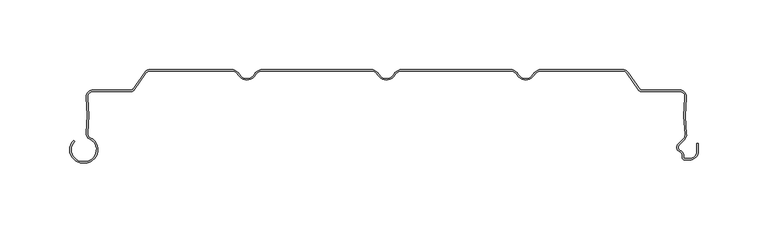
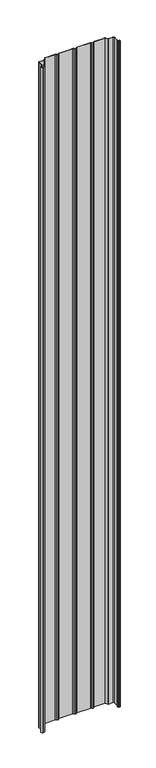
"""IFC4 building model written with IfcOpenShell, lengths in millimetres: plate geometry."""

from ifc_helpers import new_model, si_unit, point, frame_2d, origin, origin_with_axes, place, context, project, spatial, polyline, circle_curve, trimmed, segment, composite_curve, outline, extrude, source, transform, mapped, element, save


def plate_5fa73372(model_context):
    return source(origin(), model_context, "Body", "SweptSolid", [
        extrude(outline(composite_curve([segment(polyline([(-217.5602537, -66.1554676), (-216.3062537, -66.1554676)]), True, "CONTINUOUS"), segment(trimmed(circle_curve(frame_2d((-216.3062537, -57.6554676)), 8.5), [point((-216.3062537, -66.1554676))], [point((-212.7922984, -49.9158218))], True, "CARTESIAN"), True, "CONTINUOUS"), segment(trimmed(circle_curve(frame_2d((-211.0973318, -46.1825808)), 4.1), [point((-212.7922984, -49.9158218))], [point((-215.1686298, -45.6982956))], False, "CARTESIAN"), True, "CONTINUOUS"), segment(trimmed(circle_curve(frame_2d((-313.8447949, -32.9207976)), 99.5), [point((-215.1686298, -45.6982956))], [point((-215.1747737, -20.0959415))], True, "CARTESIAN"), True, "CONTINUOUS"), segment(trimmed(circle_curve(frame_2d((-210.5139788, -19.4901443)), 4.7), [point((-215.1747737, -20.0959415))], [point((-210.5139788, -14.7901443))], False, "CARTESIAN"), True, "CONTINUOUS"), segment(polyline([(-210.5139788, -14.7901443), (-182.7970868, -14.7901443)]), True, "CONTINUOUS"), segment(trimmed(circle_curve(frame_2d((-182.7970868, -13.8401443)), 0.95), [point((-182.7970868, -14.7901443))], [point((-182.0188923, -14.3850419))], True, "CARTESIAN"), True, "CONTINUOUS"), segment(polyline([(-182.0188923, -14.3850419), (-173.349727, -2.0041907)]), True, "CONTINUOUS"), segment(trimmed(circle_curve(frame_2d((-169.4997124, -4.7)), 4.7), [point((-173.349727, -2.0041907))], [point((-171.3541788, -0.3813249))], False, "CARTESIAN"), True, "CONTINUOUS"), segment(trimmed(circle_curve(frame_2d((-169.4997124, -4.7)), 4.7), [point((-171.3541788, -0.3813249))], [point((-169.4997124, 0.0))], False, "CARTESIAN"), True, "CONTINUOUS"), segment(polyline([(-169.4997124, 0.0), (-111.2583302, 0.0)]), True, "CONTINUOUS"), segment(trimmed(circle_curve(frame_2d((-111.2583302, -7.0)), 7.0), [point((-111.2583302, 0.0))], [point((-105.1961524, -3.5))], False, "CARTESIAN"), True, "CONTINUOUS"), segment(trimmed(circle_curve(frame_2d((-100.0, -0.5)), 6.0), [point((-105.1961524, -3.5))], [point((-100.0, -6.5))], True, "CARTESIAN"), True, "CONTINUOUS"), segment(trimmed(circle_curve(frame_2d((-100.0, -0.5)), 6.0), [point((-100.0, -6.5))], [point((-94.8038476, -3.5))], True, "CARTESIAN"), True, "CONTINUOUS"), segment(trimmed(circle_curve(frame_2d((-88.7416698, -7.0)), 7.0), [point((-94.8038476, -3.5))], [point((-88.7416698, 0.0))], False, "CARTESIAN"), True, "CONTINUOUS"), segment(polyline([(-88.7416698, 0.0), (-11.2583302, 0.0)]), True, "CONTINUOUS"), segment(trimmed(circle_curve(frame_2d((-11.2583302, -7.0)), 7.0), [point((-11.2583302, 0.0))], [point((-5.1961524, -3.5))], False, "CARTESIAN"), True, "CONTINUOUS"), segment(trimmed(circle_curve(frame_2d((0.0, -0.5)), 6.0), [point((-5.1961524, -3.5))], [point((0.0, -6.5))], True, "CARTESIAN"), True, "CONTINUOUS"), segment(trimmed(circle_curve(frame_2d((0.0, -0.5)), 6.0), [point((0.0, -6.5))], [point((5.1961524, -3.5))], True, "CARTESIAN"), True, "CONTINUOUS"), segment(trimmed(circle_curve(frame_2d((11.2583302, -7.0)), 7.0), [point((5.1961524, -3.5))], [point((11.2583302, 0.0))], False, "CARTESIAN"), True, "CONTINUOUS"), segment(polyline([(11.2583302, 0.0), (88.7416698, 0.0)]), True, "CONTINUOUS"), segment(trimmed(circle_curve(frame_2d((88.7416698, -7.0)), 7.0), [point((88.7416698, 0.0))], [point((94.8038476, -3.5))], False, "CARTESIAN"), True, "CONTINUOUS"), segment(trimmed(circle_curve(frame_2d((100.0, -0.5)), 6.0), [point((94.8038476, -3.5))], [point((100.0, -6.5))], True, "CARTESIAN"), True, "CONTINUOUS"), segment(trimmed(circle_curve(frame_2d((100.0, -0.5)), 6.0), [point((100.0, -6.5))], [point((105.1961524, -3.5))], True, "CARTESIAN"), True, "CONTINUOUS"), segment(trimmed(circle_curve(frame_2d((111.2583302, -7.0)), 7.0), [point((105.1961524, -3.5))], [point((111.2583302, 0.0))], False, "CARTESIAN"), True, "CONTINUOUS"), segment(polyline([(111.2583302, 0.0), (169.4997124, 0.0)]), True, "CONTINUOUS"), segment(trimmed(circle_curve(frame_2d((169.4997124, -4.7)), 4.7), [point((169.4997124, 0.0))], [point((173.349727, -2.0041907))], False, "CARTESIAN"), True, "CONTINUOUS"), segment(polyline([(173.349727, -2.0041907), (182.0188923, -14.3850419)]), True, "CONTINUOUS"), segment(trimmed(circle_curve(frame_2d((182.7970868, -13.8401443)), 0.95), [point((182.0188923, -14.3850419))], [point((182.7970868, -14.7901443))], True, "CARTESIAN"), True, "CONTINUOUS"), segment(polyline([(182.7970868, -14.7901443), (210.5139788, -14.7901443)]), True, "CONTINUOUS"), segment(trimmed(circle_curve(frame_2d((210.5139788, -19.4901443)), 4.7), [point((210.5139788, -14.7901443))], [point((215.1747737, -20.0959415))], False, "CARTESIAN"), True, "CONTINUOUS"), segment(trimmed(circle_curve(frame_2d((313.8447949, -32.9207976)), 99.5), [point((215.1747737, -20.0959415))], [point((215.261045, -46.3927784))], True, "CARTESIAN"), True, "CONTINUOUS"), segment(trimmed(circle_curve(frame_2d((210.6043252, -47.0291434)), 4.7), [point((215.261045, -46.3927784))], [point((213.927727, -50.3525452))], False, "CARTESIAN"), True, "CONTINUOUS"), segment(polyline([(213.927727, -50.3525452), (209.893169, -54.3871033)]), True, "CONTINUOUS"), segment(trimmed(circle_curve(frame_2d((211.4488039, -55.9427382)), 2.2), [point((209.893169, -54.3871033))], [point((210.6238714, -57.98222))], True, "CARTESIAN"), True, "CONTINUOUS"), segment(trimmed(circle_curve(frame_2d((209.0490001, -61.8757763)), 4.2), [point((210.6238714, -57.98222))], [point((213.2490002, -61.8757763))], False, "CARTESIAN"), True, "CONTINUOUS"), segment(polyline([(213.2490002, -61.8757763), (213.2490002, -63.0)]), True, "CONTINUOUS"), segment(trimmed(circle_curve(frame_2d((214.2490002, -63.0)), 1.0), [point((213.2490002, -63.0))], [point((214.2490002, -64.0))], True, "CARTESIAN"), True, "CONTINUOUS"), segment(polyline([(214.2490002, -64.0), (217.5500002, -64.0)]), True, "CONTINUOUS"), segment(trimmed(circle_curve(frame_2d((217.5500002, -58.8)), 5.2), [point((217.5500002, -64.0))], [point((222.7500002, -58.8))], True, "CARTESIAN"), True, "CONTINUOUS"), segment(polyline([(222.7500002, -58.8), (222.7500002, -53.169), (223.7500002, -53.169), (223.7500002, -58.8)]), True, "CONTINUOUS"), segment(trimmed(circle_curve(frame_2d((217.5500002, -58.8)), 6.2), [point((223.7500002, -58.8))], [point((217.5500002, -65.0))], False, "CARTESIAN"), True, "CONTINUOUS"), segment(polyline([(217.5500002, -65.0), (214.2490002, -65.0)]), True, "CONTINUOUS"), segment(trimmed(circle_curve(frame_2d((214.2490002, -63.0)), 2.0), [point((214.2490002, -65.0))], [point((212.2490002, -63.0))], False, "CARTESIAN"), True, "CONTINUOUS"), segment(polyline([(212.2490002, -63.0), (212.2490002, -61.8757763)]), True, "CONTINUOUS"), segment(trimmed(circle_curve(frame_2d((209.0490001, -61.8757763)), 3.2), [point((212.2490002, -61.8757763))], [point((210.248902, -58.9092572))], True, "CARTESIAN"), True, "CONTINUOUS"), segment(trimmed(circle_curve(frame_2d((211.4488039, -55.9427382)), 3.2), [point((210.248902, -58.9092572))], [point((209.1860622, -53.6799965))], False, "CARTESIAN"), True, "CONTINUOUS"), segment(polyline([(209.1860622, -53.6799965), (213.2206203, -49.6454384)]), True, "CONTINUOUS"), segment(trimmed(circle_curve(frame_2d((210.6043252, -47.0291434)), 3.7), [point((213.2206203, -49.6454384))], [point((214.2702536, -46.5281752))], True, "CARTESIAN"), True, "CONTINUOUS"), segment(trimmed(circle_curve(frame_2d((313.8447949, -32.9207976)), 100.5), [point((214.2702536, -46.5281752))], [point((214.1831152, -19.9670485))], False, "CARTESIAN"), True, "CONTINUOUS"), segment(trimmed(circle_curve(frame_2d((210.5139788, -19.4901443)), 3.7), [point((214.1831152, -19.9670485))], [point((210.5139788, -15.7901443))], True, "CARTESIAN"), True, "CONTINUOUS"), segment(polyline([(210.5139788, -15.7901443), (182.7970868, -15.7901443)]), True, "CONTINUOUS"), segment(trimmed(circle_curve(frame_2d((182.7970868, -13.8401443)), 1.95), [point((182.7970868, -15.7901443))], [point((181.1997403, -14.9586183))], False, "CARTESIAN"), True, "CONTINUOUS"), segment(polyline([(181.1997403, -14.9586183), (172.530575, -2.5777672)]), True, "CONTINUOUS"), segment(trimmed(circle_curve(frame_2d((169.4997124, -4.7)), 3.7), [point((172.530575, -2.5777672))], [point((169.4997124, -1.0))], True, "CARTESIAN"), True, "CONTINUOUS"), segment(polyline([(169.4997124, -1.0), (111.2583302, -1.0)]), True, "CONTINUOUS"), segment(trimmed(circle_curve(frame_2d((111.2583302, -7.0)), 6.0), [point((111.2583302, -1.0))], [point((106.0621778, -4.0))], True, "CARTESIAN"), True, "CONTINUOUS"), segment(trimmed(circle_curve(frame_2d((100.0, -0.5)), 7.0), [point((106.0621778, -4.0))], [point((100.0, -7.5))], False, "CARTESIAN"), True, "CONTINUOUS"), segment(trimmed(circle_curve(frame_2d((100.0, -0.5)), 7.0), [point((100.0, -7.5))], [point((93.9378222, -4.0))], False, "CARTESIAN"), True, "CONTINUOUS"), segment(trimmed(circle_curve(frame_2d((88.7416698, -7.0)), 6.0), [point((93.9378222, -4.0))], [point((88.7416698, -1.0))], True, "CARTESIAN"), True, "CONTINUOUS"), segment(polyline([(88.7416698, -1.0), (11.2583302, -1.0)]), True, "CONTINUOUS"), segment(trimmed(circle_curve(frame_2d((11.2583302, -7.0)), 6.0), [point((11.2583302, -1.0))], [point((6.0621778, -4.0))], True, "CARTESIAN"), True, "CONTINUOUS"), segment(trimmed(circle_curve(frame_2d((0.0, -0.5)), 7.0), [point((6.0621778, -4.0))], [point((0.0, -7.5))], False, "CARTESIAN"), True, "CONTINUOUS"), segment(trimmed(circle_curve(frame_2d((0.0, -0.5)), 7.0), [point((0.0, -7.5))], [point((-6.0621778, -4.0))], False, "CARTESIAN"), True, "CONTINUOUS"), segment(trimmed(circle_curve(frame_2d((-11.2583302, -7.0)), 6.0), [point((-6.0621778, -4.0))], [point((-11.2583302, -1.0))], True, "CARTESIAN"), True, "CONTINUOUS"), segment(polyline([(-11.2583302, -1.0), (-88.7416698, -1.0)]), True, "CONTINUOUS"), segment(trimmed(circle_curve(frame_2d((-88.7416698, -7.0)), 6.0), [point((-88.7416698, -1.0))], [point((-93.9378222, -4.0))], True, "CARTESIAN"), True, "CONTINUOUS"), segment(trimmed(circle_curve(frame_2d((-100.0, -0.5)), 7.0), [point((-93.9378222, -4.0))], [point((-100.0, -7.5))], False, "CARTESIAN"), True, "CONTINUOUS"), segment(trimmed(circle_curve(frame_2d((-100.0, -0.5)), 7.0), [point((-100.0, -7.5))], [point((-106.0621778, -4.0))], False, "CARTESIAN"), True, "CONTINUOUS"), segment(trimmed(circle_curve(frame_2d((-111.2583302, -7.0)), 6.0), [point((-106.0621778, -4.0))], [point((-111.2583302, -1.0))], True, "CARTESIAN"), True, "CONTINUOUS"), segment(polyline([(-111.2583302, -1.0), (-169.4997124, -1.0)]), True, "CONTINUOUS"), segment(trimmed(circle_curve(frame_2d((-169.4997124, -4.7)), 3.7), [point((-169.4997124, -1.0))], [point((-171.5845593, -1.6433003))], True, "CARTESIAN"), True, "CONTINUOUS"), segment(trimmed(circle_curve(frame_2d((-169.4997124, -4.7)), 3.7), [point((-171.5845593, -1.6433003))], [point((-172.530575, -2.5777672))], True, "CARTESIAN"), True, "CONTINUOUS"), segment(polyline([(-172.530575, -2.5777672), (-181.1997403, -14.9586183)]), True, "CONTINUOUS"), segment(trimmed(circle_curve(frame_2d((-182.7970868, -13.8401443)), 1.95), [point((-181.1997403, -14.9586183))], [point((-182.7970868, -15.7901443))], False, "CARTESIAN"), True, "CONTINUOUS"), segment(polyline([(-182.7970868, -15.7901443), (-210.5139788, -15.7901443)]), True, "CONTINUOUS"), segment(trimmed(circle_curve(frame_2d((-210.5139788, -19.4901443)), 3.7), [point((-210.5139788, -15.7901443))], [point((-214.1831152, -19.9670485))], True, "CARTESIAN"), True, "CONTINUOUS"), segment(trimmed(circle_curve(frame_2d((-313.8447949, -32.9207976)), 100.5), [point((-214.1831152, -19.9670485))], [point((-214.1761952, -45.8211947))], False, "CARTESIAN"), True, "CONTINUOUS"), segment(trimmed(circle_curve(frame_2d((-211.0973318, -46.1825808)), 3.1), [point((-214.1761952, -45.8211947))], [point((-212.3788919, -49.0052752))], True, "CARTESIAN"), True, "CONTINUOUS"), segment(trimmed(circle_curve(frame_2d((-216.3062537, -57.6554676)), 9.5), [point((-212.3788919, -49.0052752))], [point((-216.3062537, -67.1554676))], False, "CARTESIAN"), True, "CONTINUOUS"), segment(polyline([(-216.3062537, -67.1554676), (-217.5602537, -67.1554676)]), True, "CONTINUOUS"), segment(trimmed(circle_curve(frame_2d((-217.5602537, -57.6554676)), 9.5), [point((-217.5602537, -67.1554676))], [point((-224.2777682, -50.9379532))], False, "CARTESIAN"), True, "CONTINUOUS"), segment(polyline([(-224.2777682, -50.9379532), (-223.5706614, -51.64506)]), True, "CONTINUOUS"), segment(trimmed(circle_curve(frame_2d((-217.5602537, -57.6554676)), 8.5), [point((-223.5706614, -51.64506))], [point((-217.5602537, -66.1554676))], True, "CARTESIAN"), True, "CONTINUOUS")], self_intersect=False)), origin_with_axes(), (0.0, 0.0, 1.0), 4000.0),
    ])


if __name__ == "__main__":
    model = new_model("IFC4")
    model_context = context("Model", 3, world=origin())
    ifc_project = project(units=[si_unit("LENGTHUNIT", "METRE", prefix="MILLI")], contexts=[model_context])
    site = spatial("IfcSite", under=ifc_project)
    building = spatial("IfcBuilding", under=site)
    placement = place(None, origin())
    plate_shape = plate_5fa73372(model_context)
    element("IfcPlate", 1, at=placement, inside=building, context=model_context, shape_type="MappedRepresentation", body=[
        mapped(plate_shape, transform((0.0, 0.0, 0.0), x_axis=(1.0, 0.0, 0.0), y_axis=(0.0, 1.0, 0.0), z_axis=(0.0, 0.0, 1.0))),
    ])
    save(model, "model.ifc")
